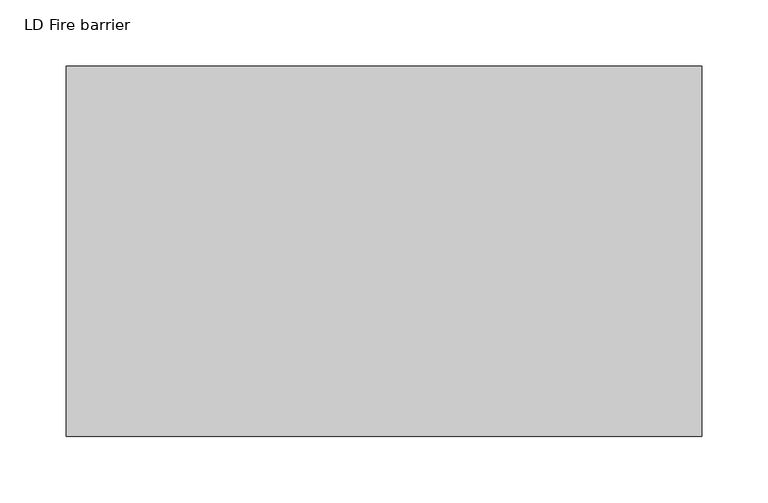
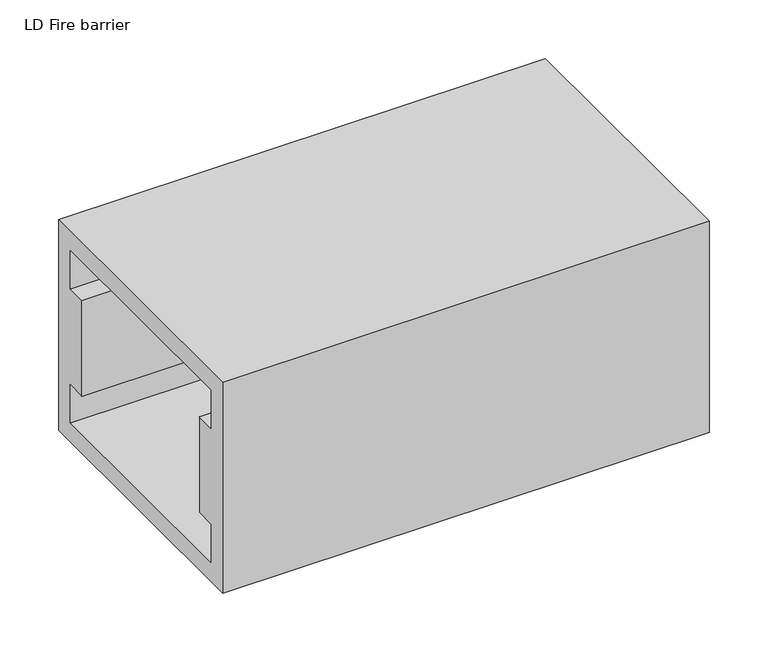
"""IFC4 building model written with IfcOpenShell, lengths in millimetres: proxy geometry, LD Fire barrier."""

from ifc_helpers import new_model, si_unit, frame, origin, place, context, project, spatial, polyline, outline, extrude, source, transform, mapped, element, save


def ld_fire_barrier_de715ae8(model_context):
    return source(origin(), model_context, "Body", "SweptSolid", [
        extrude(outline(polyline([(260.0, 200.0), (260.0, -20.0), (-20.0, -20.0), (-20.0, 200.0), (260.0, 200.0)]), holes=[polyline([(240.0, 180.0), (0.0, 180.0), (0.0, 140.0), (20.0, 140.0), (20.0, 40.0), (0.0, 40.0), (0.0, 0.0), (240.0, 0.0), (240.0, 40.0), (220.0, 40.0), (220.0, 140.0), (240.0, 140.0), (240.0, 180.0)])]), frame((0.0, 0.0, 0.0), z_axis=(1.0, 0.0, 0.0), x_axis=(0.0, 1.0, 0.0)), (0.0, 0.0, 1.0), 480.0),
    ])


if __name__ == "__main__":
    model = new_model("IFC4")
    model_context = context("Model", 3, world=origin())
    ifc_project = project(units=[si_unit("LENGTHUNIT", "METRE", prefix="MILLI")], contexts=[model_context])
    site = spatial("IfcSite", under=ifc_project)
    building = spatial("IfcBuilding", under=site)
    placement = place(None, origin())
    ld_fire_barrier_shape = ld_fire_barrier_de715ae8(model_context)
    element("IfcBuildingElementProxy", 1, Name="LD Fire barrier", ObjectType="LD Fire barrier", at=placement, inside=building, context=model_context, shape_type="MappedRepresentation", body=[
        mapped(ld_fire_barrier_shape, transform((0.0, 0.0, 0.0), x_axis=(1.0, 0.0, 0.0), y_axis=(0.0, 1.0, 0.0), z_axis=(0.0, 0.0, 1.0))),
    ])
    save(model, "model.ifc")
